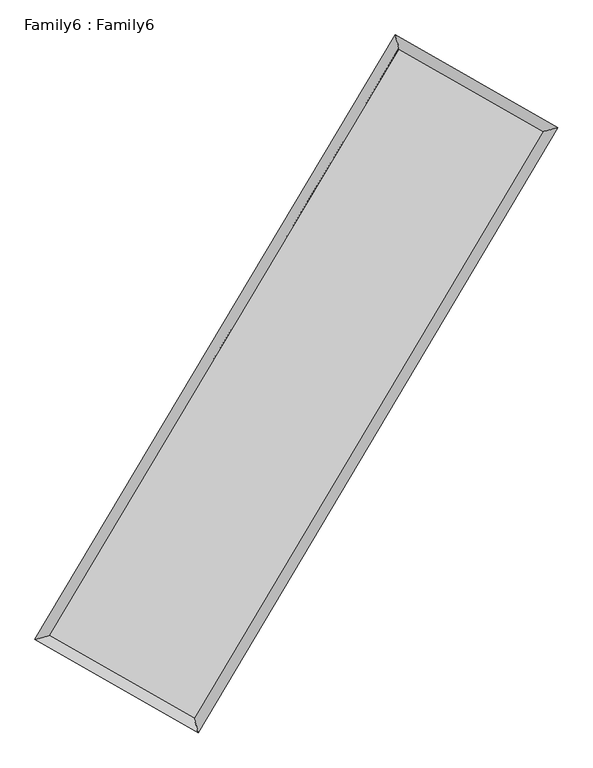
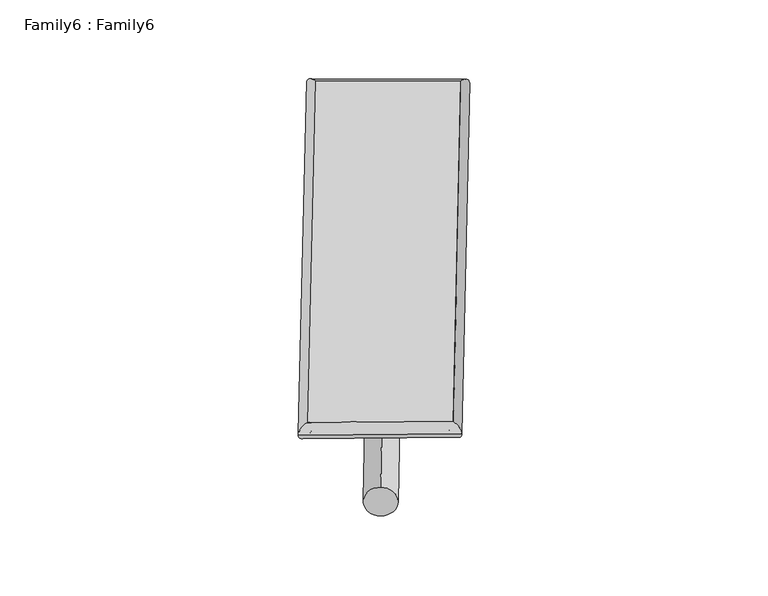
"""IFC4 building model written with IfcOpenShell, lengths in millimetres: plate geometry, Family6 : Family6."""

from ifc_helpers import new_model, si_unit, point, frame, origin, origin_2d, place, context, project, spatial, circle_curve, ellipse_curve, trimmed, segment, composite_curve, outline, extrude, source, transform, mapped, element, save
from ifc_brep_helpers import plane_surface, cylinder_surface, spline_surface, advanced_brep


def family6_family6_5d772c45(model_context):
    return source(origin(), model_context, "Body", "SolidModel", [
        extrude(outline(composite_curve([segment(trimmed(circle_curve(origin_2d(), 76.2), [point((-75.4341514, -10.7763073))], [point((75.4341514, 10.7763073))], False, "CARTESIAN"), True, "CONTINUOUS"), segment(trimmed(circle_curve(origin_2d(), 76.2), [point((75.4341514, 10.7763073))], [point((-75.4341514, -10.7763073))], False, "CARTESIAN"), True, "CONTINUOUS")], self_intersect=False)), frame((9144.0, 9144.0, 0.0), z_axis=(0.6736346564763581, 0.6875449731718759, 0.27110562417637823), x_axis=(-0.6793882275603339, 0.7204797417255001, -0.13907040668519186)), (0.0, 0.0, 1.0), 5585.7469221),
        extrude(outline(composite_curve([segment(trimmed(circle_curve(origin_2d(), 76.2), [point((-53.8815367, 53.8815367))], [point((53.8815367, -53.8815367))], False, "CARTESIAN"), True, "CONTINUOUS"), segment(trimmed(circle_curve(origin_2d(), 76.2), [point((53.8815367, -53.8815367))], [point((-53.8815367, 53.8815367))], False, "CARTESIAN"), True, "CONTINUOUS")], self_intersect=False)), frame((9144.0, 9144.0, 0.0), z_axis=(-0.6743617613774405, -0.6868445342194569, 0.2710734229037833), x_axis=(0.6398768807605979, -0.3603724881602678, 0.6787409279285178)), (0.0, 0.0, 1.0), 5586.6690588),
        extrude(outline(composite_curve([segment(trimmed(circle_curve(origin_2d(), 76.2), [point((-53.8815367, -53.8815367))], [point((53.8815367, 53.8815367))], False, "CARTESIAN"), True, "CONTINUOUS"), segment(trimmed(circle_curve(origin_2d(), 76.2), [point((53.8815367, 53.8815367))], [point((-53.8815367, -53.8815367))], False, "CARTESIAN"), True, "CONTINUOUS")], self_intersect=False)), frame((9144.0, 9144.0, 0.0), z_axis=(0.28058069652876555, 0.9193301766134749, 0.2758740638466579), x_axis=(-0.8389827125893933, 0.374521201713217, -0.3947681312408988)), (0.0, 0.0, 1.0), 5547.2870659),
        extrude(outline(composite_curve([segment(trimmed(circle_curve(origin_2d(), 76.2), [point((-75.4341515, 10.7763073))], [point((75.4341515, -10.7763073))], False, "CARTESIAN"), True, "CONTINUOUS"), segment(trimmed(circle_curve(origin_2d(), 76.2), [point((75.4341515, -10.7763073))], [point((-75.4341515, 10.7763073))], False, "CARTESIAN"), True, "CONTINUOUS")], self_intersect=False)), frame((9144.0, 9144.0, 0.0), z_axis=(-0.27957273586976666, -0.9196428095933016, 0.2758553753720097), x_axis=(0.8766982541264438, -0.12737532416349154, 0.4638703461161221)), (0.0, 0.0, 1.0), 5547.6871495),
        advanced_brep(
        [(5166.1784926, 5251.4282993, 1515.6773451), (5586.9585375, 5362.2379362, 1516.0100253), (5586.949534, 5362.2254856, 1513.1176637), (10754.8256376, 14037.2813925, 1528.6052064), (10646.0976999, 14450.2954035, 1532.1000459), (5166.1694891, 5251.4158487, 1512.7849835), (12696.5133792, 12928.9790066, 1514.5019112), (13116.9920388, 13039.9254288, 1514.1529004), (7538.493324, 4248.6843624, 1530.064024), (7647.5425278, 3835.5344439, 1530.6546181)],
        [
            (0, 1, ellipse_curve(frame((5376.5640133, 5306.8268925, 1514.3975044), z_axis=(-0.2546571053101633, 0.9670255435674697, -0.0033699856213466593), x_axis=(-0.9670119563843961, -0.2546725422879257, -0.005456410379307734)), 217.5753379, 152.4)),
            (1, 2, ellipse_curve(frame((5376.5640133, 5306.8268925, 1514.3975044), z_axis=(-0.2546571053101633, 0.9670255435674697, -0.0033699856213466593), x_axis=(-0.9670119563843961, -0.2546725422879257, -0.005456410379307734)), 217.5753379, 152.4)),
            (2, 3),
            (3, 4, ellipse_curve(frame((10700.4616688, 14243.788398, 1530.3526262), z_axis=(-0.96703908088155, -0.25460602365201696, 0.0033449615656713297), x_axis=(0.25458535401463406, -0.9670341092556634, -0.005597236581491612)), 213.5507707, 152.4)),
            (4, 0),
            (2, 5, ellipse_curve(frame((5376.5640133, 5306.8268925, 1514.3975044), z_axis=(-0.2546571053101633, 0.9670255435674697, -0.0033699856213466593), x_axis=(-0.9670119563843961, -0.2546725422879257, -0.005456410379307734)), 217.5753379, 152.4)),
            (5, 0, ellipse_curve(frame((5376.5640133, 5306.8268925, 1514.3975044), z_axis=(-0.2546571053101633, 0.9670255435674697, -0.0033699856213466593), x_axis=(-0.9670119563843961, -0.2546725422879257, -0.005456410379307734)), 217.5753379, 152.4)),
            (4, 3, ellipse_curve(frame((10700.4616688, 14243.788398, 1530.3526262), z_axis=(-0.96703908088155, -0.25460602365201696, 0.0033449615656713297), x_axis=(0.25458535401463406, -0.9670341092556634, -0.005597236581491612)), 213.5507707, 152.4)),
            (3, 6),
            (6, 7, ellipse_curve(frame((12906.752709, 12984.4522177, 1514.3274058), z_axis=(-0.25512171772071135, 0.9669029660058857, 0.0034005111755612875), x_axis=(-0.966889145775002, -0.2551374223489722, 0.005502317657967872)), 217.4372665, 152.4)),
            (7, 4),
            (7, 6, ellipse_curve(frame((12906.752709, 12984.4522177, 1514.3274058), z_axis=(-0.25512171772071135, 0.9669029660058857, 0.0034005111755612875), x_axis=(-0.966889145775002, -0.2551374223489722, 0.005502317657967872)), 217.4372665, 152.4)),
            (6, 8),
            (8, 9, ellipse_curve(frame((7593.0179259, 4042.1094031, 1530.3593211), z_axis=(0.9668803281790327, 0.2552087669206633, 0.0033039774878876544), x_axis=(-0.25518844474198055, 0.9668753403093528, -0.005561831698494384)), 213.6515926, 152.4)),
            (9, 7),
            (9, 8, ellipse_curve(frame((7593.0179259, 4042.1094031, 1530.3593211), z_axis=(0.9668803281790327, 0.2552087669206633, 0.0033039774878876544), x_axis=(-0.25518844474198055, 0.9668753403093528, -0.005561831698494384)), 213.6515926, 152.4)),
            (8, 1),
            (5, 9),
        ],
        [
            cylinder_surface(frame((5376.5640133, 5306.8268925, 1514.3975044), z_axis=(-0.5117868623016812, -0.8591110842797669, -0.0015337675974672746), x_axis=(-0.8590772953562282, 0.5117489512374402, 0.00996049751808671)), 152.4),
            cylinder_surface(frame((10700.4616688, 14243.788398, 1530.3526262), z_axis=(-0.868463421653985, 0.4957131168241333, 0.006308015342067116), x_axis=(0.4957449791719436, 0.8684521278643323, 0.005274204558260366)), 152.4),
            cylinder_surface(frame((12906.752709, 12984.4522177, 1514.3274058), z_axis=(0.510837974946741, 0.8596756294956087, -0.0015412344538779383), x_axis=(0.8596769068170964, -0.510837974946741, 0.0004233647389091671)), 152.4),
            cylinder_surface(frame((7593.0179259, 4042.1094031, 1530.3593211), z_axis=(0.868534490299086, -0.4955892625274316, 0.006254760460935592), x_axis=(-0.49557171030562847, -0.8685568346304612, -0.0042077264012916355)), 152.4),
        ],
        [
            (0, [[1, 2, 3, 4, 5]]),
            (0, [[6, 7, -5, 8, -3]]),
            (1, [[-4, 9, 10, 11]]),
            (1, [[-8, -11, 12, -9]]),
            (2, [[-10, 13, 14, 15]]),
            (2, [[-12, -15, 16, -13]]),
            (3, [[-14, 17, -1, -7, 18]]),
            (3, [[-16, -18, -6, -2, -17]]),
        ],
    ),
        extrude(outline(composite_curve([segment(trimmed(circle_curve(origin_2d(), 304.8), [point((0.0, -304.8))], [point((1e-07, 304.8))], False, "CARTESIAN"), True, "CONTINUOUS"), segment(trimmed(circle_curve(origin_2d(), 304.8), [point((1e-07, 304.8))], [point((0.0, -304.8))], False, "CARTESIAN"), True, "CONTINUOUS")], self_intersect=False)), frame((6481.8860302, 4650.1564681, -0.0004437), z_axis=(0.5096742321049017, 0.860367466335328, 8.494089615442528e-08), x_axis=(-0.8603674663353319, 0.5096742321049017, 2.3270771396088015e-08)), (0.0, 0.0, 1.0), 10446.3353339),
        advanced_brep(
        [(5376.5640133, 5306.8268925, 1514.3975044), (7593.0179259, 4042.1094031, 1530.3593211), (7593.0179775, 4042.1100222, 1682.7593211), (5376.5640649, 5306.8275115, 1666.7975044), (12906.752709, 12984.4522177, 1514.3274058), (12906.7527607, 12984.4528367, 1666.7274058), (10700.4616688, 14243.788398, 1530.3526262), (10700.4617205, 14243.7890171, 1682.7526262)],
        [
            (0, 1),
            (1, 2),
            (2, 3),
            (3, 0),
            (1, 4),
            (4, 5),
            (5, 2),
            (4, 6),
            (6, 7),
            (7, 5),
            (6, 0),
            (3, 7),
        ],
        [
            plane_surface(frame((6484.7909696, 4674.4681478, 1522.3784127), z_axis=(-0.4955989771173701, -0.8685514687492932, 3.6961933556727e-06), x_axis=(0.868534490299086, -0.49558926252743113, 0.006254760460935594))),
            plane_surface(frame((10249.8853174, 8513.2808104, 1522.3433634), z_axis=(0.8596766519386909, -0.5108385793069097, 1.7836642866406616e-06), x_axis=(0.5108379749467408, 0.8596756294956089, -0.0015412344538779383))),
            plane_surface(frame((11803.6071889, 13614.1203078, 1522.340016), z_axis=(0.49572295934142124, 0.8684807122602802, -3.695947969522932e-06), x_axis=(-0.8684634216539852, 0.49571311682413305, 0.006308015342067116))),
            plane_surface(frame((8038.512841, 9775.3076452, 1522.3750653), z_axis=(-0.8591120933818358, 0.5117874666322773, -1.787710193657194e-06), x_axis=(-0.5117868623016814, -0.859111084279767, -0.0015337675974672772))),
            spline_surface(1, 1, [[(7593.0179775, 4042.1100222, 1682.7593211), (5376.5640649, 5306.8275115, 1666.7975044)], [(12906.7527607, 12984.4528367, 1666.7274058), (10700.4617205, 14243.7890171, 1682.7526262)]], [2, 2], [2, 2], [0.0, 1.0], [0.0, 1.0]),
            spline_surface(1, 1, [[(10700.4616688, 14243.788398, 1530.3526262), (5376.5640133, 5306.8268925, 1514.3975044)], [(12906.752709, 12984.4522177, 1514.3274058), (7593.0179259, 4042.1094031, 1530.3593211)]], [2, 2], [2, 2], [0.0, 1.0], [0.0, 1.0]),
        ],
        [
            (0, [[1, 2, 3, 4]]),
            (1, [[5, 6, 7, -2]]),
            (2, [[8, 9, 10, -6]]),
            (3, [[11, -4, 12, -9]]),
            (4, [[-3, -7, -10, -12]]),
            (5, [[-11, -8, -5, -1]]),
        ],
    ),
    ])


if __name__ == "__main__":
    model = new_model("IFC4")
    model_context = context("Model", 3, world=origin())
    ifc_project = project(units=[si_unit("LENGTHUNIT", "METRE", prefix="MILLI")], contexts=[model_context])
    site = spatial("IfcSite", under=ifc_project)
    building = spatial("IfcBuilding", under=site)
    placement = place(None, origin())
    family6_family6_shape = family6_family6_5d772c45(model_context)
    element("IfcPlate", 1, ObjectType="Family6 : Family6", at=placement, inside=building, context=model_context, shape_type="MappedRepresentation", body=[
        mapped(family6_family6_shape, transform((0.0, 0.0, 0.0), x_axis=(1.0, 0.0, 0.0), y_axis=(0.0, 1.0, 0.0), z_axis=(0.0, 0.0, 1.0))),
    ])
    save(model, "model.ifc")
